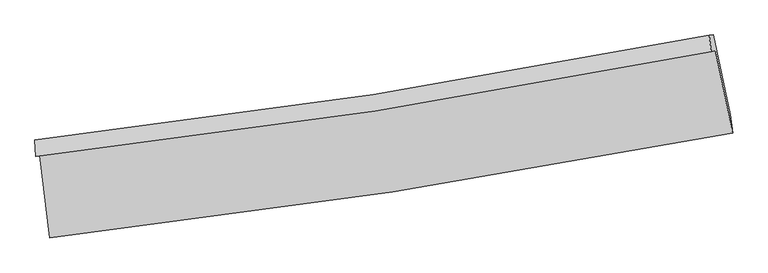
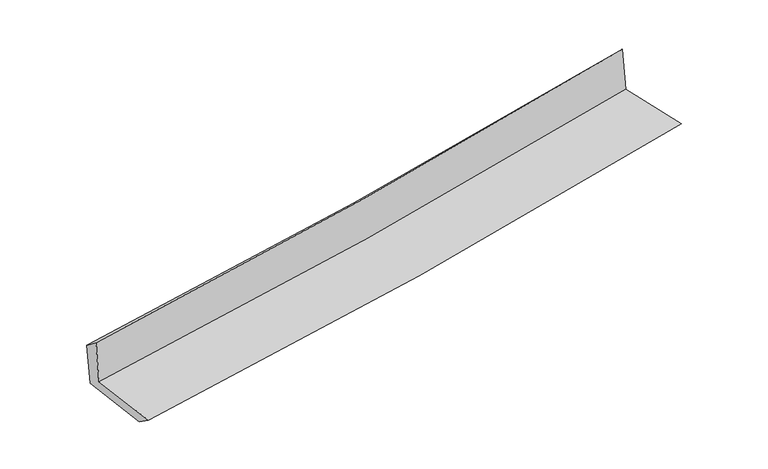
"""IFC4 building model written with IfcOpenShell, lengths in millimetres: proxy geometry."""

import ifcopenshell
import ifcopenshell.guid

model = None  # the IFC model being written
_history = None  # IfcOwnerHistory: only IFC2X3 demands one
_inside = {}  # id of a spatial element -> (the spatial element, [elements in it])
_under = {}  # id of a project, library or spatial element -> (it, [spatial elements below it])
_declared = {}  # id of a project -> (the project, [libraries it declares])
_typed = {}  # id of a type object -> (the type object, [elements of that type])
_made_of = {}  # id of a material, layer set ... -> (it, [elements and type objects made of it])


def new_model(schema):
    """Start an empty IFC model of exactly this schema.

    Asked for "IFC4X3", IfcOpenShell would pick the latest addendum, in which some entities
    have other attributes; the version numbers below select the first issue.
    IFC2X3 requires an IfcOwnerHistory on every rooted entity: one is made here for all.
    """
    global model, _history
    if schema == "IFC4X3":
        model = ifcopenshell.file(schema_version=(4, 3, 0, 0))
    else:
        model = ifcopenshell.file(schema=schema)
    _inside.clear()
    _under.clear()
    _declared.clear()
    _typed.clear()
    _made_of.clear()
    _history = None
    if model.schema == "IFC2X3":
        org = make("IfcOrganization", Name="unknown")
        user = make(
            "IfcPersonAndOrganization",
            ThePerson=make("IfcPerson", FamilyName="unknown"),
            TheOrganization=org,
        )
        app = make(
            "IfcApplication",
            ApplicationDeveloper=org,
            Version="unknown",
            ApplicationFullName="unknown",
            ApplicationIdentifier="unknown",
        )
        _history = make(
            "IfcOwnerHistory",
            OwningUser=user,
            OwningApplication=app,
            ChangeAction="ADDED",
            CreationDate=0,
        )
    return model


def make(cls, **values):
    """One entity of the class cls with the attributes given. An attribute that is None is left unset."""
    return model.create_entity(
        cls, **{name: value for name, value in values.items() if value is not None}
    )


def rooted(cls, **values):
    """An entity with a GlobalId (a new one), such as an element, a storey or a relation."""
    return make(cls, GlobalId=ifcopenshell.guid.new(), OwnerHistory=_history, **values)


def si_unit(unit_type, name, prefix=None):
    """IfcSIUnit, for example si_unit("LENGTHUNIT", "METRE", prefix="MILLI")."""
    return make("IfcSIUnit", UnitType=unit_type, Prefix=prefix, Name=name)


def assignment(units):
    """IfcUnitAssignment: the units of a project."""
    return None if units is None else make("IfcUnitAssignment", Units=units)


def point(xyz):
    """IfcCartesianPoint."""
    return None if xyz is None else make("IfcCartesianPoint", Coordinates=xyz)


def direction(xyz):
    """IfcDirection."""
    return None if xyz is None else make("IfcDirection", DirectionRatios=xyz)


def frame(location, z_axis=None, x_axis=None):
    """IfcAxis2Placement3D, a coordinate frame: its origin and axes. An axis left out is left unset."""
    return make(
        "IfcAxis2Placement3D",
        Location=point(location),
        Axis=direction(z_axis),
        RefDirection=direction(x_axis),
    )


def origin():
    """The frame at (0, 0, 0) with its axes left unset."""
    return frame((0.0, 0.0, 0.0))


def place(relative_to, where):
    """IfcLocalPlacement: puts the frame where relative to a parent placement (None: the world)."""
    return make(
        "IfcLocalPlacement", PlacementRelTo=relative_to, RelativePlacement=where
    )


def context(
    kind, dimensions, precision=None, world=None, true_north=None, identifier=None
):
    """IfcGeometricRepresentationContext, for example the 3D "Model" context."""
    return make(
        "IfcGeometricRepresentationContext",
        ContextIdentifier=identifier,
        ContextType=kind,
        CoordinateSpaceDimension=dimensions,
        Precision=precision,
        WorldCoordinateSystem=world,
        TrueNorth=true_north,
    )


def project(units=None, contexts=None):
    """IfcProject with its units and contexts."""
    return rooted(
        "IfcProject",
        Name="project",
        RepresentationContexts=contexts,
        UnitsInContext=assignment(units),
    )


def spatial(cls, under=None, at=None, **own):
    """A site, building, storey or space (cls), placed at a placement, below another one or the project."""
    s = rooted(cls, ObjectPlacement=at, **own)
    if under is not None:
        _under.setdefault(under.id(), (under, []))[1].append(s)
    return s


def shape(context_of_items, identifier, shape_type, items):
    """IfcShapeRepresentation: the items that make up one representation, for example the "Body"."""
    return make(
        "IfcShapeRepresentation",
        ContextOfItems=context_of_items,
        RepresentationIdentifier=identifier,
        RepresentationType=shape_type,
        Items=items,
    )


def source(mapping_origin, context_of_items, identifier, shape_type, items):
    """IfcRepresentationMap: a shape defined once, which mapped items show again and again."""
    return make(
        "IfcRepresentationMap",
        MappingOrigin=mapping_origin,
        MappedRepresentation=shape(context_of_items, identifier, shape_type, items),
    )


def transform(
    local_origin,
    x_axis=None,
    y_axis=None,
    z_axis=None,
    scale=None,
    scale2=None,
    scale3=None,
    uniform=True,
):
    """IfcCartesianTransformationOperator3D, or its non-uniform kind. x_axis, y_axis, z_axis: its Axis1, 2, 3."""
    if uniform:
        return make(
            "IfcCartesianTransformationOperator3D",
            Axis1=direction(x_axis),
            Axis2=direction(y_axis),
            LocalOrigin=point(local_origin),
            Scale=scale,
            Axis3=direction(z_axis),
        )
    return make(
        "IfcCartesianTransformationOperator3DnonUniform",
        Axis1=direction(x_axis),
        Axis2=direction(y_axis),
        LocalOrigin=point(local_origin),
        Scale=scale,
        Axis3=direction(z_axis),
        Scale2=scale2,
        Scale3=scale3,
    )


def mapped(mapping_source, mapping_target):
    """IfcMappedItem: shows the shape of a source again, moved by a transform."""
    return make(
        "IfcMappedItem", MappingSource=mapping_source, MappingTarget=mapping_target
    )


def made_of(thing, what):
    """Note that an element or type object is made of a material, layer set ...; save() writes the relation."""
    if what is not None:
        _made_of.setdefault(what.id(), (what, []))[1].append(thing)
    return thing


def element(
    cls,
    number,
    at=None,
    inside=None,
    cuts=None,
    type_object=None,
    material=None,
    context=None,
    identifier="Body",
    shape_type=None,
    held_by="IfcProductDefinitionShape",
    body=None,
    shapes=None,
    **own,
):
    """One element of the class cls, such as IfcWall. Its Tag is "e" and its number.

    at: its placement. inside: the storey or other place that contains it. cuts: it is an
    opening in that element (IfcRelVoidsElement). A single representation is given by context,
    identifier, shape_type and body (its items); several are given by shapes. held_by: the class
    of the entity that holds the representations. save() writes the other relations.
    """
    e = rooted(cls, Tag="e%d" % number, ObjectPlacement=at, **own)
    if body is not None:
        shapes = [shape(context, identifier, shape_type, body)]
    if shapes is not None:
        e.Representation = make(held_by, Representations=shapes)
    if inside is not None:
        _inside.setdefault(inside.id(), (inside, []))[1].append(e)
    if cuts is not None:
        rooted(
            "IfcRelVoidsElement", RelatingBuildingElement=cuts, RelatedOpeningElement=e
        )
    if type_object is not None:
        _typed.setdefault(type_object.id(), (type_object, []))[1].append(e)
    return made_of(e, material)


def aggregate(whole, parts):
    """IfcRelAggregates: a whole, such as a stair, and the parts it consists of."""
    return rooted("IfcRelAggregates", RelatingObject=whole, RelatedObjects=parts)


def save(model, path):
    """Write the relations noted so far, then the file.

    IfcRelAggregates (storeys below a building ...), IfcRelContainedInSpatialStructure (elements
    in a storey), IfcRelDefinesByType, IfcRelAssociatesMaterial and IfcRelDeclares: one each for
    every whole, place, type object, material and project.
    """
    for whole, parts in _under.values():
        aggregate(whole, parts)
    for where, things in _inside.values():
        rooted(
            "IfcRelContainedInSpatialStructure",
            RelatedElements=things,
            RelatingStructure=where,
        )
    for kind, things in _typed.values():
        rooted("IfcRelDefinesByType", RelatedObjects=things, RelatingType=kind)
    for what, things in _made_of.values():
        rooted("IfcRelAssociatesMaterial", RelatedObjects=things, RelatingMaterial=what)
    for by, libraries in _declared.values():
        rooted("IfcRelDeclares", RelatingContext=by, RelatedDefinitions=libraries)
    model.write(path)


def plane_surface(at):
    """IfcPlane: the flat surface through the origin of the frame at, square to its z axis."""
    return make("IfcPlane", Position=at)


def spline_curve(degree, points, multiplicities, knots, weights=None):
    """IfcBSplineCurveWithKnots; with weights, IfcRationalBSplineCurveWithKnots."""
    own = dict(
        Degree=degree,
        ControlPointsList=[point(p) for p in points],
        CurveForm="UNSPECIFIED",
        ClosedCurve=False,
        SelfIntersect=False,
        KnotMultiplicities=multiplicities,
        Knots=knots,
        KnotSpec="UNSPECIFIED",
    )
    if weights is None:
        return make("IfcBSplineCurveWithKnots", **own)
    return make("IfcRationalBSplineCurveWithKnots", WeightsData=weights, **own)


def spline_surface(u_degree, v_degree, points, u_multiplicities, v_multiplicities, u_knots, v_knots, weights=None):
    """IfcBSplineSurfaceWithKnots; with weights, IfcRationalBSplineSurfaceWithKnots. points: one row for each step in u."""
    own = dict(
        UDegree=u_degree,
        VDegree=v_degree,
        ControlPointsList=[[point(p) for p in row] for row in points],
        SurfaceForm="UNSPECIFIED",
        UClosed=False,
        VClosed=False,
        SelfIntersect=False,
        UMultiplicities=u_multiplicities,
        VMultiplicities=v_multiplicities,
        UKnots=u_knots,
        VKnots=v_knots,
        KnotSpec="UNSPECIFIED",
    )
    if weights is None:
        return make("IfcBSplineSurfaceWithKnots", **own)
    return make("IfcRationalBSplineSurfaceWithKnots", WeightsData=weights, **own)


def advanced_brep(points, edges, surfaces, faces):
    """IfcAdvancedBrep: a solid bounded by faces that lie on surfaces and meet in shared edges.

    An edge is (start, end): straight between two places in points (the first is 0);
    or (start, end, curve); or (start, end, curve, False) where it runs against its curve.
    A face is (place in surfaces, loops), or (place, loops, False) where it looks against
    its surface's normal. A loop lists edges by number (the first is 1), with a minus sign
    where the edge is run from its end to its start. The first loop is the outer one.
    """
    corners = [point(p) for p in points]
    vertices = [make("IfcVertexPoint", VertexGeometry=c) for c in corners]
    made = []
    for start, end, *more in edges:
        made.append(
            make(
                "IfcEdgeCurve",
                EdgeStart=vertices[start],
                EdgeEnd=vertices[end],
                EdgeGeometry=more[0] if more else make("IfcPolyline", Points=[corners[start], corners[end]]),
                SameSense=more[1] if len(more) > 1 else True,
            )
        )
    hull = []
    for where, loops, *sense in faces:
        bounds = []
        for j, loop in enumerate(loops):
            ring = [make("IfcOrientedEdge", EdgeElement=made[abs(k) - 1], Orientation=k > 0) for k in loop]
            bounds.append(
                make(
                    "IfcFaceOuterBound" if j == 0 else "IfcFaceBound",
                    Bound=make("IfcEdgeLoop", EdgeList=ring),
                    Orientation=True,
                )
            )
        hull.append(make("IfcAdvancedFace", Bounds=bounds, FaceSurface=surfaces[where], SameSense=sense[0] if sense else True))
    return make("IfcAdvancedBrep", Outer=make("IfcClosedShell", CfsFaces=hull))


def generic_models_db60075c(model_context):
    return source(origin(), model_context, "Body", "AdvancedBrep", [
        advanced_brep(
        [(-2731.2285983, -1896.4512124, 1641.2595398), (-2651.5345592, -2556.2429388, 1633.7932726), (2809.4127076, -1716.2444061, 2137.1979855), (2671.5913803, -1055.4180399, 2127.4645859), (-2763.6503213, -1904.7205176, 2042.3275591), (2638.0367527, -1064.1421007, 2539.0535196), (-2771.2553879, -1771.0491465, 1941.3229711), (2622.5172636, -931.2893315, 2395.3278989), (-2739.0504134, -1768.9548891, 1551.7397318), (2653.5211578, -929.7761564, 2031.0073342), (-2659.4870745, -2423.7877151, 1538.7087419), (2790.5790746, -1569.6896012, 1998.579946)],
        [
            (0, 1),
            (1, 2, spline_curve(3, [(-2651.5345592, -2556.2429388, 1633.7932726), (-1734.671389104, -2451.372473454, 1713.047283661), (-820.875730762, -2328.882098878, 1794.652626901), (999.432294584, -2048.838184712, 1962.460123519), (1905.952391851, -1891.329048554, 2048.656351212), (2809.4127076, -1716.2444061, 2137.1979855)], [4, 2, 4], [0.0, 9.060992629687869, 18.110560943668915])),
            (2, 3),
            (3, 0, spline_curve(3, [(2671.5913803, -1055.4180399, 2127.4645859), (1777.590503198, -1233.754167514, 2045.876327091), (880.640940001, -1392.976183042, 1964.590478055), (-920.291603139, -1673.368864354, 1802.521365193), (-1824.282033151, -1794.491239672, 1721.738865572), (-2731.2285983, -1896.4512124, 1641.2595398)], [4, 2, 4], [0.0, 9.049568313981046, 18.110560943668915])),
            (4, 0),
            (3, 5),
            (5, 4, spline_curve(3, [(2638.0367527, -1064.1421007, 2539.0535196), (1743.945087057, -1242.535546, 2459.224078038), (847.044390972, -1401.748389952, 2377.942555176), (-953.510870317, -1681.989654128, 2212.370903637), (-1857.172532065, -1802.969615885, 2128.077105988), (-2763.6503213, -1904.7205176, 2042.3275591)], [4, 2, 4], [0.0, 9.001532758988862, 18.014429192853257])),
            (6, 4),
            (5, 7),
            (7, 6, spline_curve(3, [(2622.5172636, -931.2893315, 2395.3278989), (1729.388493595, -1109.430055265, 2325.299826233), (833.628252201, -1268.44832817, 2252.477675192), (-964.289316664, -1548.41657769, 2101.149758505), (-1866.453292611, -1669.318243377, 2022.636933246), (-2771.2553879, -1771.0491465, 1941.3229711)], [4, 2, 4], [0.0, 8.991772509319327, 17.99489637202329])),
            (8, 6),
            (7, 9),
            (9, 8, spline_curve(3, [(2653.5211578, -929.7761564, 2031.0073342), (1761.498282892, -1107.571549594, 1945.681594952), (866.391301737, -1266.368685474, 1863.103218317), (-931.124763728, -1546.142927403, 1703.34040957), (-1833.54163943, -1667.072035558, 1626.162918968), (-2739.0504134, -1768.9548891, 1551.7397318)], [4, 2, 4], [0.0, 8.982967362166004, 17.97727496196201])),
            (10, 8),
            (9, 11),
            (11, 10, spline_curve(3, [(2790.5790746, -1569.6896012, 1998.579946), (1889.260540902, -1752.16770037, 1924.583534964), (984.717626457, -1914.549380254, 1849.287723359), (-831.962944001, -2199.29952367, 1696.000604855), (-1744.108745846, -2321.617215332, 1618.00601484), (-2659.4870745, -2423.7877151, 1538.7087419)], [4, 2, 4], [0.0, 9.030729503757279, 18.072859540814523])),
            (1, 10),
            (11, 2),
        ],
        [
            spline_surface(3, 3, [[(-2731.2285983, -1896.4512124, 1641.2595398), (-1824.282033034, -1794.491239624, 1721.738865525), (-920.291603181, -1673.368864308, 1802.521365268), (880.640940044, -1392.976183087, 1964.59047798), (1777.590503076, -1233.754167611, 2045.876326944), (2671.5913803, -1055.4180399, 2127.4645859)], [(-2704.66391859, -2116.381787854, 1638.770784058), (-1794.411818371, -2013.451650928, 1718.841671561), (-887.152979016, -1891.8732758, 1799.89845249), (920.238058229, -1611.596850293, 1963.880359784), (1820.377799338, -1452.945794619, 2046.80300165), (2717.531822747, -1275.693495323, 2130.709052424)], [(-2678.09923891, -2336.312363346, 1636.282028342), (-1764.541603738, -2232.412062272, 1715.944477623), (-854.014354897, -2110.377687342, 1797.27553976), (959.835176369, -1830.217517549, 1963.170241634), (1863.165095561, -1672.137421559, 2047.729676385), (2763.472265153, -1495.968950677, 2133.953518976)], [(-2651.5345592, -2556.2429388, 1633.7932726), (-1734.671389075, -2451.372473576, 1713.047283659), (-820.875730732, -2328.882098835, 1794.652626982), (999.432294555, -2048.838184755, 1962.460123438), (1905.952391823, -1891.329048567, 2048.656351091), (2809.4127076, -1716.2444061, 2137.1979855)]], [4, 4], [4, 2, 4], [0.0, 2.1808380471809343], [0.0, 9.060992629687869, 18.110560943668915]),
            spline_surface(3, 3, [[(-2763.6503213, -1904.7205176, 2042.3275591), (-1857.172532076, -1802.969615752, 2128.077106138), (-953.510870274, -1681.989654025, 2212.37090361), (847.04439093, -1401.748390055, 2377.942555203), (1743.945087111, -1242.535546128, 2459.224077898), (2638.0367527, -1064.1421007, 2539.0535196)], [(-2752.843080297, -1901.964082554, 1908.638219332), (-1846.209032392, -1800.143490397, 1992.631025932), (-942.437781249, -1679.116057451, 2075.754390826), (858.243240629, -1398.824321064, 2240.158529458), (1755.16022575, -1239.608419945, 2321.441494242), (2649.221628551, -1061.234080423, 2401.857208362)], [(-2742.035839303, -1899.207647446, 1774.948879568), (-1835.245532717, -1797.317364979, 1857.18494573), (-931.364692206, -1676.242460881, 1939.137878052), (869.442090345, -1395.900252078, 2102.374503724), (1766.375364436, -1236.681293794, 2183.6589106), (2660.406504449, -1058.326060177, 2264.660897138)], [(-2731.2285983, -1896.4512124, 1641.2595398), (-1824.282033034, -1794.491239624, 1721.738865525), (-920.291603181, -1673.368864308, 1802.521365268), (880.640940044, -1392.976183087, 1964.59047798), (1777.590503076, -1233.754167611, 2045.876326944), (2671.5913803, -1055.4180399, 2127.4645859)]], [4, 4], [4, 2, 4], [0.0, 1.3551302738254054], [0.0, 9.012896433864395, 18.014429192853257]),
            spline_surface(3, 3, [[(-2771.2553879, -1771.0491465, 1941.3229711), (-1866.453292531, -1669.318243419, 2022.636933332), (-964.289316707, -1548.41657781, 2101.149758389), (833.628252245, -1268.44832805, 2252.477675308), (1729.388493589, -1109.43005531, 2325.299826157), (2622.5172636, -931.2893315, 2395.3278989)], [(-2768.720365708, -1815.606270185, 1974.991167112), (-1863.35970572, -1713.868700848, 2057.783657612), (-960.696501243, -1592.940936575, 2138.22347345), (838.10029846, -1312.881682079, 2294.299301927), (1734.240691431, -1153.798552236, 2369.941243402), (2627.690426635, -975.573587887, 2443.236439131)], [(-2766.185343492, -1860.163393915, 2008.659363088), (-1860.266118886, -1758.419158323, 2092.930381858), (-957.103685739, -1637.465295259, 2175.297188549), (842.572344715, -1357.315036026, 2336.120928584), (1739.092889268, -1198.167049201, 2414.582660654), (2632.863589665, -1019.857844313, 2491.144979369)], [(-2763.6503213, -1904.7205176, 2042.3275591), (-1857.172532076, -1802.969615752, 2128.077106138), (-953.510870274, -1681.989654025, 2212.37090361), (847.04439093, -1401.748390055, 2377.942555203), (1743.945087111, -1242.535546128, 2459.224077898), (2638.0367527, -1064.1421007, 2539.0535196)]], [4, 4], [4, 2, 4], [0.0, 0.5864781034686495], [0.0, 9.003123862703964, 17.99489637202329]),
            spline_surface(3, 3, [[(-2739.0504134, -1768.9548891, 1551.7397318), (-1833.541639531, -1667.072035668, 1626.162919021), (-931.124763661, -1546.14292738, 1703.34040971), (866.391301671, -1266.368685498, 1863.103218177), (1761.498282813, -1107.571549515, 1945.681594964), (2653.5211578, -929.7761564, 2031.0073342)], [(-2749.785404882, -1769.652974903, 1681.600811554), (-1844.512190513, -1667.820771588, 1758.320923779), (-942.179614652, -1546.900810836, 1835.94352594), (855.47028522, -1267.061899662, 1992.89470389), (1750.795019728, -1108.191051438, 2072.221005368), (2643.18652639, -930.280548092, 2152.447522439)], [(-2760.520396418, -1770.351060697, 1811.461891346), (-1855.482741549, -1668.5695075, 1890.478928575), (-953.234465716, -1547.658694353, 1968.54664216), (844.549268696, -1267.755113886, 2122.686189594), (1740.091756673, -1108.810553386, 2198.760415754), (2632.85189501, -930.784939808, 2273.887710661)], [(-2771.2553879, -1771.0491465, 1941.3229711), (-1866.453292531, -1669.318243419, 2022.636933332), (-964.289316707, -1548.41657781, 2101.149758389), (833.628252245, -1268.44832805, 2252.477675308), (1729.388493589, -1109.43005531, 2325.299826157), (2622.5172636, -931.2893315, 2395.3278989)]], [4, 4], [4, 2, 4], [0.0, 1.2958700294330945], [0.0, 8.994307599796006, 17.97727496196201]),
            spline_surface(3, 3, [[(-2659.4870745, -2423.7877151, 1538.7087419), (-1744.108745729, -2321.617215189, 1618.006014919), (-831.962943875, -2199.299523657, 1696.000604848), (984.717626331, -1914.549380267, 1849.287723366), (1889.260540854, -1752.167700494, 1924.583534826), (2790.5790746, -1569.6896012, 1998.579946)], [(-2686.008187482, -2205.510106423, 1543.052405194), (-1773.919710345, -2103.435488672, 1620.724982947), (-865.016883811, -1981.580658249, 1698.447206482), (945.275518104, -1698.489148695, 1853.892888317), (1846.673121524, -1537.302316841, 1931.616221538), (2744.89310235, -1356.385119606, 2009.3890754)], [(-2712.529300418, -1987.232497777, 1547.396068506), (-1803.730674915, -1885.253762186, 1623.443950993), (-898.070823725, -1763.861792788, 1700.893808075), (905.833409898, -1482.42891707, 1858.498053226), (1804.085702143, -1322.436933168, 1938.648908252), (2699.20713005, -1143.080637994, 2020.1982048)], [(-2739.0504134, -1768.9548891, 1551.7397318), (-1833.541639531, -1667.072035668, 1626.162919021), (-931.124763661, -1546.14292738, 1703.34040971), (866.391301671, -1266.368685498, 1863.103218177), (1761.498282813, -1107.571549515, 1945.681594964), (2653.5211578, -929.7761564, 2031.0073342)]], [4, 4], [4, 2, 4], [0.0, 2.164628978779013], [0.0, 9.042130037057245, 18.072859540814523]),
            spline_surface(3, 3, [[(-2651.5345592, -2556.2429388, 1633.7932726), (-1734.671389075, -2451.372473576, 1713.047283659), (-820.875730732, -2328.882098835, 1794.652626982), (999.432294555, -2048.838184755, 1962.460123438), (1905.952391823, -1891.329048567, 2048.656351091), (2809.4127076, -1716.2444061, 2137.1979855)], [(-2654.18539764, -2512.091197582, 1602.098429051), (-1737.817174633, -2408.120720796, 1681.366860763), (-824.571468459, -2285.687907102, 1761.768619619), (994.527405134, -2004.075249919, 1924.735990095), (1900.388441493, -1844.941932545, 2007.29874568), (2803.134829926, -1667.392804469, 2090.991972345)], [(-2656.83623606, -2467.939456318, 1570.403585449), (-1740.96296017, -2364.86896797, 1649.686437815), (-828.267206148, -2242.49371539, 1728.884612211), (989.622515752, -1959.312315103, 1887.011856709), (1894.824491184, -1798.554816516, 1965.941140236), (2796.856952274, -1618.541202831, 2044.785959155)], [(-2659.4870745, -2423.7877151, 1538.7087419), (-1744.108745729, -2321.617215189, 1618.006014919), (-831.962943875, -2199.299523657, 1696.000604848), (984.717626331, -1914.549380267, 1849.287723366), (1889.260540854, -1752.167700494, 1924.583534826), (2790.5790746, -1569.6896012, 1998.579946)]], [4, 4], [4, 2, 4], [0.0, 0.5566617222027538], [0.0, 9.098991769155282, 18.186511312382024]),
            plane_surface(frame((2697.6097228, -1211.0932726, 2204.7718784), z_axis=(0.9752418309369103, 0.20463046493566595, 0.08384356869215497), x_axis=(-0.08479337156344798, -0.00413842259504643, 0.9963899626136987))),
            plane_surface(frame((-2719.3677258, -2053.5344032, 1724.8586361), z_axis=(-0.9895157025563114, -0.11858744335938624, -0.08243599136283772), x_axis=(-0.11990751548391382, 0.9927215072589937, 0.011233732946211607))),
        ],
        [
            (0, [[1, 2, 3, 4]]),
            (1, [[5, -4, 6, 7]]),
            (2, [[8, -7, 9, 10]]),
            (3, [[11, -10, 12, 13]]),
            (4, [[14, -13, 15, 16]]),
            (5, [[17, -16, 18, -2]]),
            (6, [[-12, -9, -6, -3, -18, -15]]),
            (7, [[-1, -5, -8, -11, -14, -17]]),
        ],
    ),
    ])


if __name__ == "__main__":
    model = new_model("IFC4")
    model_context = context("Model", 3, world=origin())
    ifc_project = project(units=[si_unit("LENGTHUNIT", "METRE", prefix="MILLI")], contexts=[model_context])
    site = spatial("IfcSite", under=ifc_project)
    building = spatial("IfcBuilding", under=site)
    placement = place(None, origin())
    generic_models_shape = generic_models_db60075c(model_context)
    element("IfcBuildingElementProxy", 1, Name="Generic Models", at=placement, inside=building, context=model_context, shape_type="MappedRepresentation", body=[
        mapped(generic_models_shape, transform((0.0, 0.0, 0.0), x_axis=(1.0, 0.0, 0.0), y_axis=(0.0, 1.0, 0.0), z_axis=(0.0, 0.0, 1.0))),
    ])
    save(model, "model.ifc")
